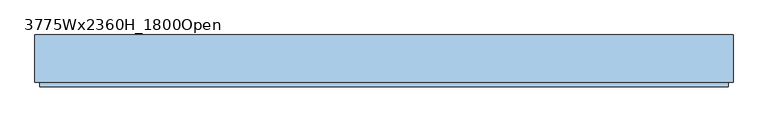
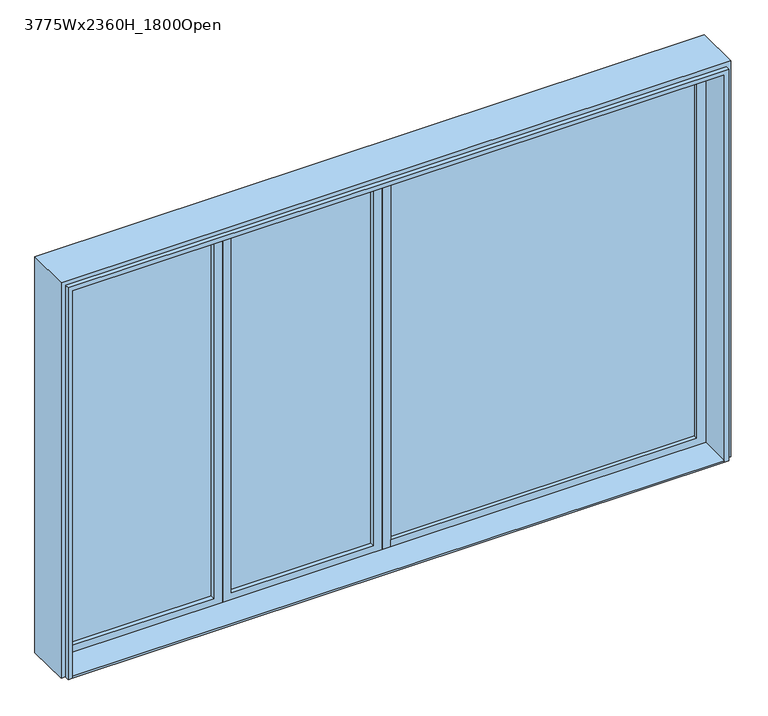
"""IFC4 building model written with IfcOpenShell, lengths in millimetres: window geometry, 3775Wx2360H_1800Open."""

from ifc_helpers import new_model, si_unit, frame, origin, origin_with_axes, place, context, project, spatial, polyline, outline, extrude, faceted_brep, source, transform, mapped, element, save


def window_3775wx2360h_1800open_0dc47e09(model_context):
    return source(origin(), model_context, "Body", "SolidModel", [
        faceted_brep([(-1837.5, -272.0, 0.0), (-1862.5, -272.0, 0.0), (-1862.5, -247.0, 0.0), (-1887.5, -247.0, 0.0), (-1887.5, 8.0, 0.0), (-1837.5, 8.0, 0.0), (1862.5, -272.0, 0.0), (1837.5, -272.0, 0.0), (1837.5, 8.0, 0.0), (1887.5, 8.0, 0.0), (1887.5, -247.0, 0.0), (1862.5, -247.0, 0.0), (-1837.5, 8.0, 2310.0), (-1837.5, -272.0, 2310.0), (-1887.5, 8.0, 2360.0), (1887.5, 8.0, 2360.0), (1837.5, 8.0, 2310.0), (-1887.5, -247.0, 2360.0), (-1862.5, -247.0, 2335.0), (1862.5, -247.0, 2335.0), (1887.5, -247.0, 2360.0), (-1862.5, -272.0, 2335.0), (1837.5, -272.0, 2310.0), (1862.5, -272.0, 2335.0)], [[[0, 1, 2, 3, 4, 5]], [[6, 7, 8, 9, 10, 11]], [[5, 12, 13, 0]], [[14, 15, 9, 8, 16, 12, 5, 4]], [[17, 14, 4, 3]], [[2, 18, 19, 11, 10, 20, 17, 3]], [[1, 21, 18, 2]], [[0, 13, 22, 7, 6, 23, 21, 1]], [[19, 23, 6, 11]], [[15, 20, 10, 9]], [[7, 22, 16, 8]], [[19, 18, 21, 23]], [[13, 12, 16, 22]], [[20, 15, 14, 17]]]),
        extrude(outline(polyline([(0.0, 1837.5), (2310.0, 1837.5), (2310.0, 62.5), (2260.0, 62.5), (2260.0, 1787.5), (50.0, 1787.5), (50.0, 62.5), (0.0, 62.5), (0.0, 1837.5)])), frame((0.0, -92.0, 0.0), z_axis=(0.0, 1.0, 0.0), x_axis=(0.0, 0.0, 1.0)), (0.0, 0.0, 1.0), 100.0),
        extrude(outline(polyline([(2310.0, 62.5), (2310.0, -1837.5), (0.0, -1837.5), (0.0, -1787.5), (2260.0, -1787.5), (2260.0, 12.5), (0.0, 12.5), (0.0, 62.5), (2310.0, 62.5)])), frame((0.0, -92.0, 0.0), z_axis=(0.0, 1.0, 0.0), x_axis=(0.0, 0.0, 1.0)), (0.0, 0.0, 1.0), 100.0),
        extrude(outline(polyline([(1787.5, -67.0), (62.5, -67.0), (62.5, -49.0), (1787.5, -49.0), (1787.5, -67.0)])), frame((0.0, 0.0, 50.0), z_axis=(0.0, 0.0, 1.0), x_axis=(1.0, 0.0, 0.0)), (0.0, 0.0, 1.0), 2210.0),
        extrude(outline(polyline([(-37.5, -67.0), (-837.5, -67.0), (-837.5, -49.0), (-37.5, -49.0), (-37.5, -67.0)])), frame((0.0, 0.0, 50.0), z_axis=(0.0, 0.0, 1.0), x_axis=(1.0, 0.0, 0.0)), (0.0, 0.0, 1.0), 2160.0),
        extrude(outline(polyline([(-937.5, -67.0), (-1737.5, -67.0), (-1737.5, -49.0), (-937.5, -49.0), (-937.5, -67.0)])), frame((0.0, 0.0, 50.0), z_axis=(0.0, 0.0, 1.0), x_axis=(1.0, 0.0, 0.0)), (0.0, 0.0, 1.0), 2160.0),
        extrude(outline(polyline([(2260.0, -887.5), (0.0, -887.5), (0.0, 12.5), (2260.0, 12.5), (2260.0, -887.5)]), holes=[polyline([(2210.0, -837.5), (2210.0, -37.5), (50.0, -37.5), (50.0, -837.5), (2210.0, -837.5)])]), frame((0.0, -92.0, 0.0), z_axis=(0.0, 1.0, 0.0), x_axis=(0.0, 0.0, 1.0)), (0.0, 0.0, 1.0), 100.0),
        extrude(outline(polyline([(2260.0, -887.5), (2260.0, -1787.5), (0.0, -1787.5), (0.0, -887.5), (2260.0, -887.5)]), holes=[polyline([(2210.0, -937.5), (50.0, -937.5), (50.0, -1737.5), (2210.0, -1737.5), (2210.0, -937.5)])]), frame((0.0, -92.0, 0.0), z_axis=(0.0, 1.0, 0.0), x_axis=(0.0, 0.0, 1.0)), (0.0, 0.0, 1.0), 100.0),
        extrude(outline(polyline([(1837.5, -92.0), (1837.5, -272.0), (-1837.5, -272.0), (-1837.5, -92.0), (1837.5, -92.0)])), origin_with_axes(), (0.0, 0.0, 1.0), 10.0),
    ])


if __name__ == "__main__":
    model = new_model("IFC4")
    model_context = context("Model", 3, world=origin())
    ifc_project = project(units=[si_unit("LENGTHUNIT", "METRE", prefix="MILLI")], contexts=[model_context])
    site = spatial("IfcSite", under=ifc_project)
    building = spatial("IfcBuilding", under=site)
    placement = place(None, origin())
    window_3775wx2360h_1800open_shape = window_3775wx2360h_1800open_0dc47e09(model_context)
    element("IfcWindow", 1, ObjectType="3775Wx2360H_1800Open", at=placement, inside=building, context=model_context, shape_type="MappedRepresentation", body=[
        mapped(window_3775wx2360h_1800open_shape, transform((0.0, 0.0, 0.0), x_axis=(1.0, 0.0, 0.0), y_axis=(0.0, 1.0, 0.0), z_axis=(0.0, 0.0, 1.0))),
    ])
    save(model, "model.ifc")
